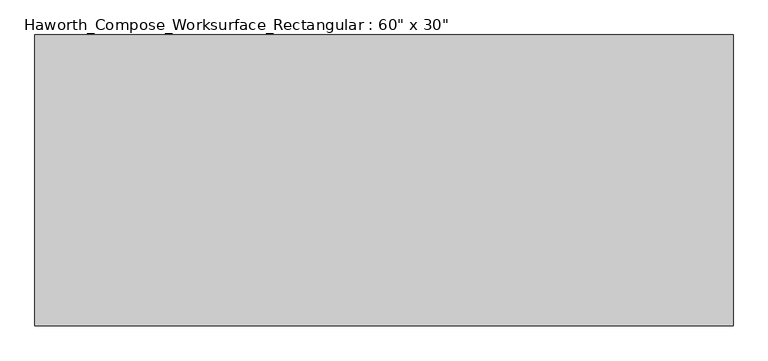
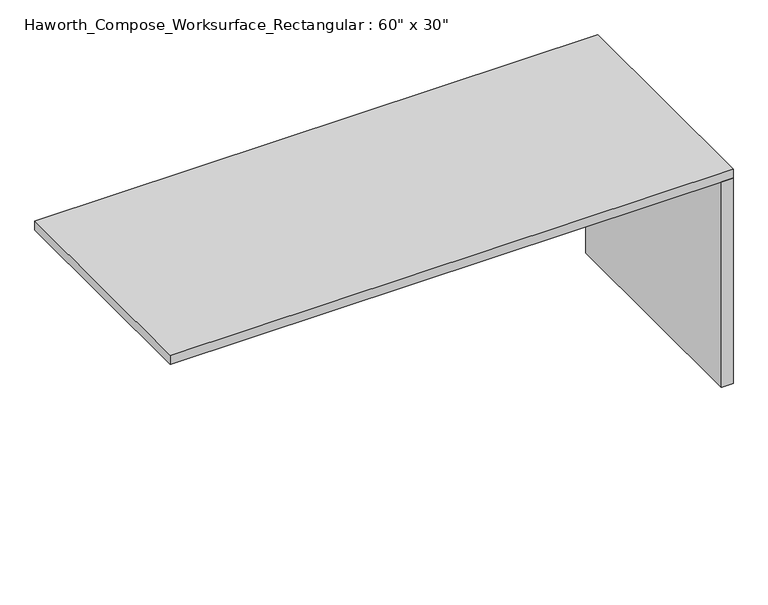
"""IFC4 building model written with IfcOpenShell, lengths in millimetres: furniture geometry."""

from ifc_helpers import new_model, si_unit, frame, origin, origin_with_axes, place, context, project, spatial, polyline, outline, extrude, source, transform, mapped, element, save


def furniture_06dec83c(model_context):
    return source(origin(), model_context, "Body", "SweptSolid", [
        extrude(outline(polyline([(914.4, 381.0), (914.4, -381.0), (876.3, -381.0), (876.3, 381.0), (914.4, 381.0)])), origin_with_axes(), (0.0, 0.0, 1.0), 706.4375),
        extrude(outline(polyline([(914.4, 381.0), (914.4, -381.0), (-914.4, -381.0), (-914.4, 381.0), (914.4, 381.0)])), frame((0.0, 0.0, 706.4375), z_axis=(0.0, 0.0, 1.0), x_axis=(1.0, 0.0, 0.0)), (0.0, 0.0, 1.0), 30.1625),
    ])


if __name__ == "__main__":
    model = new_model("IFC4")
    model_context = context("Model", 3, world=origin())
    ifc_project = project(units=[si_unit("LENGTHUNIT", "METRE", prefix="MILLI")], contexts=[model_context])
    site = spatial("IfcSite", under=ifc_project)
    building = spatial("IfcBuilding", under=site)
    placement = place(None, origin())
    furniture_shape = furniture_06dec83c(model_context)
    element("IfcFurniture", 1, ObjectType="Haworth_Compose_Worksurface_Rectangular : 60\" x 30\"", at=placement, inside=building, context=model_context, shape_type="MappedRepresentation", body=[
        mapped(furniture_shape, transform((0.0, 0.0, 0.0), x_axis=(1.0, 0.0, 0.0), y_axis=(0.0, 1.0, 0.0), z_axis=(0.0, 0.0, 1.0))),
    ])
    save(model, "model.ifc")
